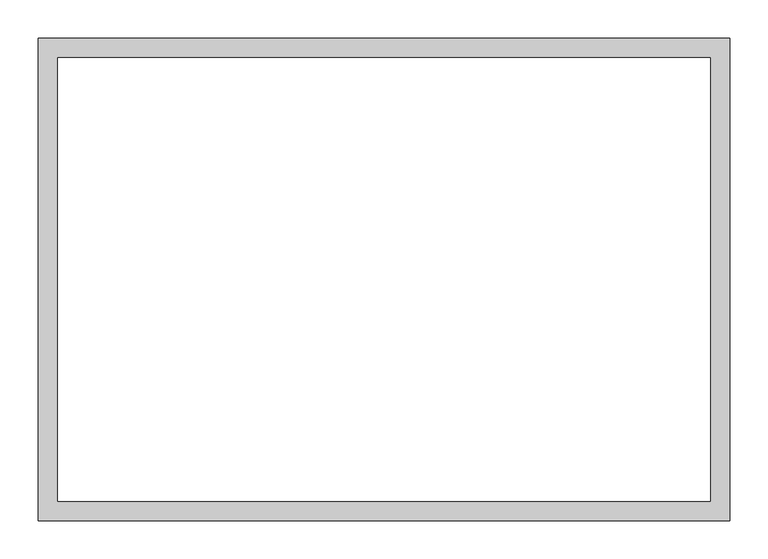
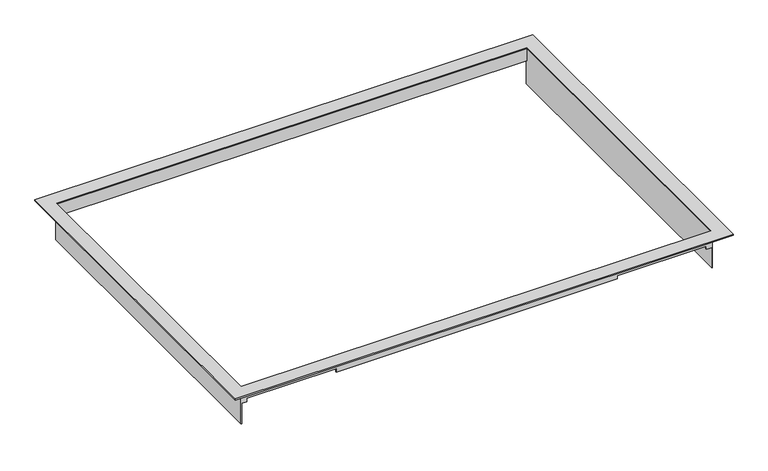
"""IFC4 building model written with IfcOpenShell, lengths in millimetres: proxy geometry."""

from ifc_helpers import new_model, si_unit, origin, origin_with_axes, place, context, project, spatial, polyline, outline, extrude, faceted_brep, source, transform, mapped, element, save


def generic_models_6e818428(model_context):
    return source(origin(), model_context, "Body", "SolidModel", [
        faceted_brep([(427.707425, 291.0078, -68.3030291), (427.707425, -291.20846, -68.3030291), (426.158025, -291.20846, -68.3030291), (426.158025, 291.0078, -68.3030291), (-427.707425, -291.20846, -68.3030291), (-427.707425, 291.0078, -68.3030291), (-426.158025, 291.0078, -68.3030291), (-426.158025, -291.20846, -68.3030291), (-427.707425, 291.0078, 0.0), (-427.707425, -291.20846, 0.0), (427.707425, -291.20846, 0.0), (427.707425, 291.0078, 0.0), (-426.158025, 289.6108, 0.0), (426.158025, 289.6108, 0.0), (426.158025, -289.6108, 0.0), (-426.158025, -289.6108, 0.0), (-426.158025, 289.6108, -23.09368), (426.158025, 289.6108, -23.09368), (426.158025, 291.0078, -23.09368), (426.158025, -291.20846, -29.44368), (426.158025, -289.6108, -29.44368), (416.9671391, -289.6108, -29.44368), (416.9671391, -289.6108, -23.09368), (255.0421391, -289.6108, -23.09368), (255.0421391, -289.6108, -29.44368), (-255.0421391, -289.6108, -29.44368), (-255.0421391, -289.6108, -23.09368), (-416.9671391, -289.6108, -23.09368), (-416.9671391, -289.6108, -29.44368), (-426.158025, -289.6108, -29.44368), (-426.158025, -291.20846, -29.44368), (-426.158025, 291.0078, -23.09368), (-416.9671391, -291.20846, -29.44368), (-416.9671391, -291.20846, -23.09368), (-255.0421391, -291.20846, -23.09368), (-255.0421391, -291.20846, -29.44368), (255.0421391, -291.20846, -29.44368), (255.0421391, -291.20846, -23.09368), (416.9671391, -291.20846, -23.09368), (416.9671391, -291.20846, -29.44368)], [[[0, 1, 2, 3]], [[4, 5, 6, 7]], [[8, 9, 10, 11], [12, 13, 14, 15]], [[13, 12, 16, 17]], [[14, 13, 17, 18, 3, 2, 19, 20]], [[15, 14, 20, 21, 22, 23, 24, 25, 26, 27, 28, 29]], [[12, 15, 29, 30, 7, 6, 31, 16]], [[5, 4, 9, 8]], [[10, 9, 4, 7, 30, 32, 33, 34, 35, 36, 37, 38, 39, 19, 2, 1]], [[1, 0, 11, 10]], [[8, 11, 0, 3, 18, 31, 6, 5]], [[18, 17, 16, 31]], [[26, 34, 33, 27]], [[27, 33, 32, 28]], [[30, 29, 28, 32]], [[20, 19, 39, 21]], [[21, 39, 38, 22]], [[22, 38, 37, 23]], [[23, 37, 36, 24]], [[24, 36, 35, 25]], [[34, 26, 25, 35]]]),
        extrude(outline(polyline([(-451.558025, 315.00826), (451.558025, 315.00826), (451.558025, -315.05906), (-451.558025, -315.05906), (-451.558025, 315.00826)]), holes=[polyline([(-426.158025, 289.6108), (-426.158025, -289.6108), (426.158025, -289.6108), (426.158025, 289.6108), (-426.158025, 289.6108)])]), origin_with_axes(), (0.0, 0.0, 1.0), 2.286),
    ])


if __name__ == "__main__":
    model = new_model("IFC4")
    model_context = context("Model", 3, world=origin())
    ifc_project = project(units=[si_unit("LENGTHUNIT", "METRE", prefix="MILLI")], contexts=[model_context])
    site = spatial("IfcSite", under=ifc_project)
    building = spatial("IfcBuilding", under=site)
    placement = place(None, origin())
    generic_models_shape = generic_models_6e818428(model_context)
    element("IfcBuildingElementProxy", 1, Name="Generic Models", at=placement, inside=building, context=model_context, shape_type="MappedRepresentation", body=[
        mapped(generic_models_shape, transform((0.0, 0.0, 0.0), x_axis=(1.0, 0.0, 0.0), y_axis=(0.0, 1.0, 0.0), z_axis=(0.0, 0.0, 1.0))),
    ])
    save(model, "model.ifc")
